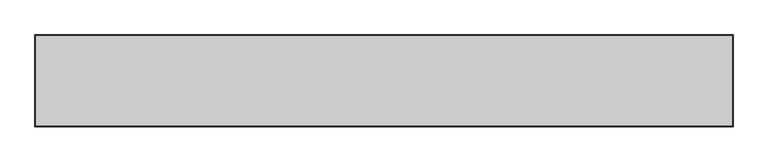
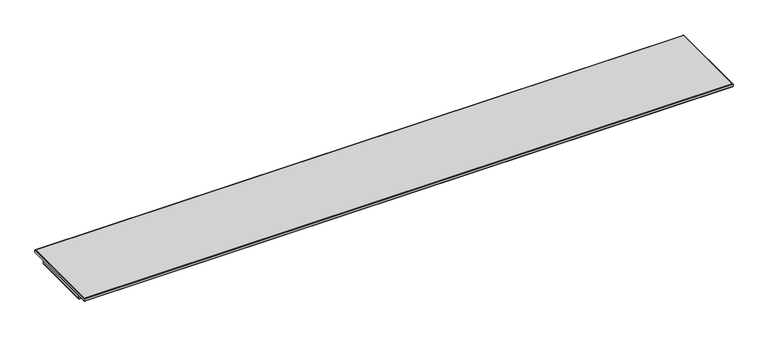
"""IFC4 building model written with IfcOpenShell, lengths in millimetres: furniture geometry."""

from ifc_helpers import new_model, si_unit, frame, origin, place, context, project, spatial, polyline, outline, extrude, faceted_brep, source, transform, mapped, element, save


def furniture_ff5a3df7(model_context):
    return source(origin(), model_context, "Body", "SolidModel", [
        faceted_brep([(2437.8142073, 19.7166075, 1043.3885283), (2436.3934, 18.2958003, 1042.8000114), (2.0066, 18.2958003, 1042.8000114), (0.5857927, 19.7166075, 1043.3885283), (2438.4, 20.3024003, 1044.8027589), (0.0, 20.3024003, 1044.8027589), (2438.4, 20.3024003, 1054.8000057), (0.0, 20.3024003, 1054.8000057), (2436.3934, 18.2958003, 1054.8000057), (2.0066, 18.2958003, 1054.8000057), (2.0066, -212.5041983, 1042.8000114), (0.5857927, -213.9250056, 1043.3885283), (0.0, -214.5107983, 1044.8027589), (0.0, -214.5107983, 1054.8000057), (2.0066, -212.5041983, 1054.8000057), (2436.3934, -212.5041983, 1042.8000114), (2437.8142073, -213.9250056, 1043.3885283), (2438.4, -214.5107983, 1044.8027589), (2438.4, -214.5107983, 1054.8000057), (2436.3934, -212.5041983, 1054.8000057)], [[[0, 1, 2, 3]], [[4, 0, 3, 5]], [[6, 4, 5, 7]], [[1, 8, 9, 2]], [[3, 2, 10, 11]], [[5, 3, 11, 12]], [[7, 5, 12, 13]], [[2, 9, 14, 10]], [[11, 10, 15, 16]], [[12, 11, 16, 17]], [[13, 12, 17, 18]], [[10, 14, 19, 15]], [[16, 15, 1, 0]], [[17, 16, 0, 4]], [[18, 17, 4, 6]], [[7, 13, 18, 6], [8, 19, 14, 9]], [[15, 19, 8, 1]]]),
        extrude(outline(polyline([(2436.3934, 18.2958003), (2436.3934, -212.5041983), (2.0066, -212.5041983), (2.0066, 18.2958003), (2436.3934, 18.2958003)])), frame((0.0, 0.0, 1042.8000114), z_axis=(0.0, 0.0, 1.0), x_axis=(1.0, 0.0, 0.0)), (0.0, 0.0, 1.0), 11.9999943),
        faceted_brep([(2463.0542364, 73.7600281, 1055.3857985), (2461.6400059, 72.3457976, 1054.8000057), (1.7526, 72.3457976, 1054.8000057), (0.3383695, 73.7600281, 1055.3857985), (2463.6400291, 74.3458208, 1056.800029), (-0.2474233, 74.3458208, 1056.800029), (2463.6400291, 74.3458208, 1064.7999767), (-0.2474233, 74.3458208, 1064.7999767), (2463.0542364, 73.7600281, 1066.2142073), (0.3383695, 73.7600281, 1066.2142073), (2461.6400059, 72.3457976, 1066.8030114), (1.7526, 72.3457976, 1066.8030114), (1.7526, -247.5042058, 1054.8000057), (0.3383695, -248.9184364, 1055.3857985), (-0.2474233, -249.5042291, 1056.800029), (-0.2474233, -249.5042291, 1064.7999767), (0.3383695, -248.9184364, 1066.2142073), (1.7526, -247.5042058, 1066.8030114), (2461.6400059, -247.5042058, 1054.8000057), (2463.0542364, -248.9184364, 1055.3857985), (2463.6400291, -249.5042291, 1056.800029), (2463.6400291, -249.5042291, 1064.7999767), (2463.0542364, -248.9184364, 1066.2142073), (2461.6400059, -247.5042058, 1066.8030114)], [[[0, 1, 2, 3]], [[4, 0, 3, 5]], [[6, 4, 5, 7]], [[8, 6, 7, 9]], [[10, 8, 9, 11]], [[1, 10, 11, 2]], [[3, 2, 12, 13]], [[5, 3, 13, 14]], [[7, 5, 14, 15]], [[9, 7, 15, 16]], [[11, 9, 16, 17]], [[2, 11, 17, 12]], [[13, 12, 18, 19]], [[14, 13, 19, 20]], [[15, 14, 20, 21]], [[16, 15, 21, 22]], [[17, 16, 22, 23]], [[12, 17, 23, 18]], [[19, 18, 1, 0]], [[20, 19, 0, 4]], [[21, 20, 4, 6]], [[22, 21, 6, 8]], [[23, 22, 8, 10]], [[18, 23, 10, 1]]]),
        extrude(outline(polyline([(2461.6400059, 72.3457976), (2461.6400059, -247.5042058), (1.7526, -247.5042058), (1.7526, 72.3457976), (2461.6400059, 72.3457976)])), frame((0.0, 0.0, 1054.8000057), z_axis=(0.0, 0.0, 1.0), x_axis=(1.0, 0.0, 0.0)), (0.0, 0.0, 1.0), 12.0030057),
    ])


if __name__ == "__main__":
    model = new_model("IFC4")
    model_context = context("Model", 3, world=origin())
    ifc_project = project(units=[si_unit("LENGTHUNIT", "METRE", prefix="MILLI")], contexts=[model_context])
    site = spatial("IfcSite", under=ifc_project)
    building = spatial("IfcBuilding", under=site)
    placement = place(None, origin())
    furniture_shape = furniture_ff5a3df7(model_context)
    element("IfcFurniture", 1, at=placement, inside=building, context=model_context, shape_type="MappedRepresentation", body=[
        mapped(furniture_shape, transform((0.0, 0.0, 0.0), x_axis=(1.0, 0.0, 0.0), y_axis=(0.0, 1.0, 0.0), z_axis=(0.0, 0.0, 1.0))),
    ])
    save(model, "model.ifc")
